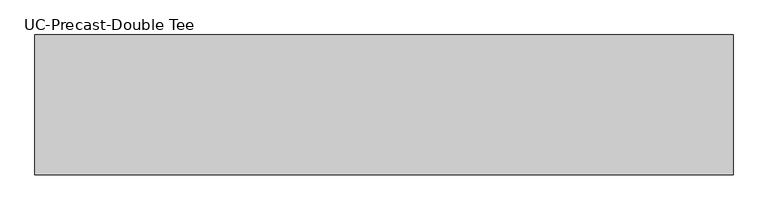
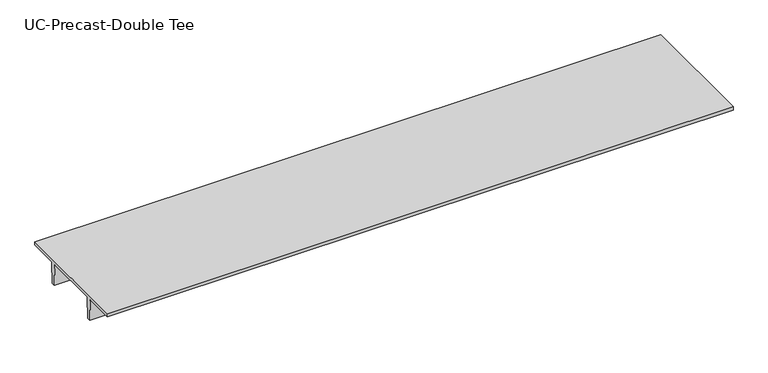
"""IFC4 building model written with IfcOpenShell, lengths in millimetres: beam geometry, UC-Precast-Double Tee."""

from ifc_helpers import new_model, si_unit, frame, origin, place, context, project, spatial, polyline, outline, extrude, source, transform, mapped, element, save


def uc_precast_double_tee_eb856589(model_context):
    return source(origin(), model_context, "Body", "SweptSolid", [
        extrude(outline(polyline([(1866.9, 381.0), (1866.9, 279.4), (990.6, 279.4), (965.2, -381.0), (863.6, -381.0), (838.2, 279.4), (-838.2, 279.4), (-863.6, -381.0), (-965.2, -381.0), (-990.6, 279.4), (-1866.9, 279.4), (-1866.9, 381.0), (1866.9, 381.0)])), frame((-9474.1999994, 0.0, 0.0), z_axis=(1.0, 0.0, 0.0), x_axis=(0.0, 1.0, 0.0)), (0.0, 0.0, 1.0), 18643.5999994),
    ])


if __name__ == "__main__":
    model = new_model("IFC4")
    model_context = context("Model", 3, world=origin())
    ifc_project = project(units=[si_unit("LENGTHUNIT", "METRE", prefix="MILLI")], contexts=[model_context])
    site = spatial("IfcSite", under=ifc_project)
    building = spatial("IfcBuilding", under=site)
    placement = place(None, origin())
    uc_precast_double_tee_shape = uc_precast_double_tee_eb856589(model_context)
    element("IfcBeam", 1, ObjectType="UC-Precast-Double Tee", at=placement, inside=building, context=model_context, shape_type="MappedRepresentation", body=[
        mapped(uc_precast_double_tee_shape, transform((0.0, 0.0, 0.0), x_axis=(1.0, 0.0, 0.0), y_axis=(0.0, 1.0, 0.0), z_axis=(0.0, 0.0, 1.0))),
    ])
    save(model, "model.ifc")
